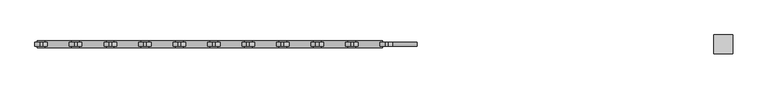
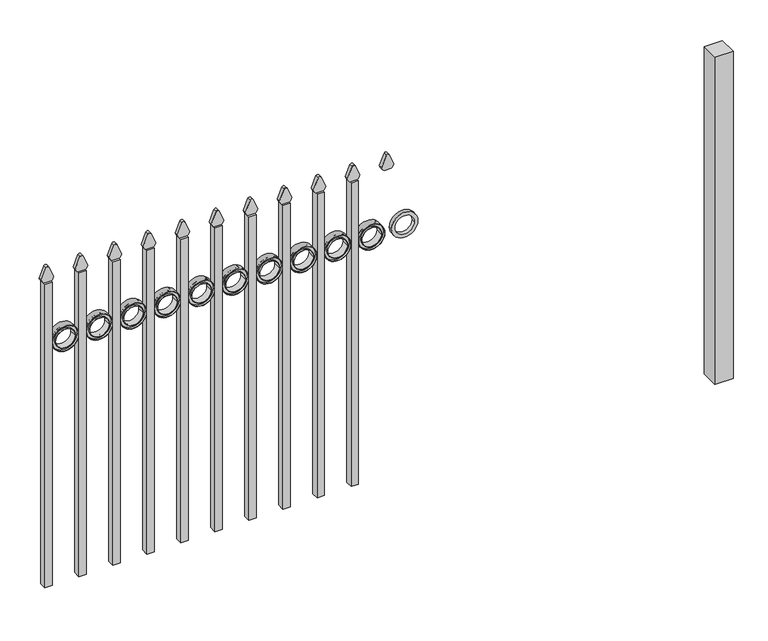
"""IFC4 building model written with IfcOpenShell, lengths in millimetres: railing geometry."""

from ifc_helpers import new_model, si_unit, point, frame, frame_2d, origin, origin_with_axes, place, context, project, spatial, polyline, circle_curve, trimmed, segment, composite_curve, outline, extrude, source, transform, mapped, element, save


def railing_c6fbc7e1(model_context):
    return source(origin(), model_context, "Body", "SweptSolid", [
        extrude(outline(composite_curve([segment(polyline([(1159.8798417, -22591.9399936), (1159.8798417, -22566.2493116)]), True, "CONTINUOUS"), segment(trimmed(circle_curve(frame_2d((1178.1299402, -22580.4122336)), 23.1009622), [point((1159.8798417, -22566.2493116))], [point((1172.6676176, -22557.9663545))], False, "CARTESIAN"), True, "CONTINUOUS"), segment(polyline([(1172.6676176, -22557.9663545), (1213.1555225, -22574.2855644)]), True, "CONTINUOUS"), segment(trimmed(circle_curve(frame_2d((1210.0045804, -22579.4155764)), 6.0204202), [point((1213.1555225, -22574.2855644))], [point((1213.1555225, -22584.5455884))], False, "CARTESIAN"), True, "CONTINUOUS"), segment(polyline([(1213.1555225, -22584.5455884), (1173.9339948, -22600.4937724)]), True, "CONTINUOUS"), segment(trimmed(circle_curve(frame_2d((1178.1299402, -22577.7770716)), 23.1009622), [point((1173.9339948, -22600.4937724))], [point((1159.8798417, -22591.9399936))], False, "CARTESIAN"), True, "CONTINUOUS")], self_intersect=False)), frame((0.0, 13410.569541, 0.0), z_axis=(0.0, 1.0, 0.0), x_axis=(0.0, 0.0, 1.0)), (0.0, 0.0, 1.0), 12.7),
        extrude(outline(composite_curve([segment(trimmed(circle_curve(frame_2d((937.3853669, -22520.4442595)), 45.6988591), [point((937.3853669, -22474.7454004))], [point((937.3853669, -22566.1431186))], False, "CARTESIAN"), True, "CONTINUOUS"), segment(trimmed(circle_curve(frame_2d((937.3853669, -22520.4442595)), 45.6988591), [point((937.3853669, -22566.1431186))], [point((937.3853669, -22474.7454004))], False, "CARTESIAN"), True, "CONTINUOUS")], self_intersect=False), holes=[composite_curve([segment(trimmed(circle_curve(frame_2d((937.3853669, -22520.4442595)), 33.0443887), [point((937.3853669, -22487.3998708))], [point((937.3853669, -22553.4886482))], True, "CARTESIAN"), True, "CONTINUOUS"), segment(trimmed(circle_curve(frame_2d((937.3853669, -22520.4442595)), 33.0443887), [point((937.3853669, -22553.4886482))], [point((937.3853669, -22487.3998708))], True, "CARTESIAN"), True, "CONTINUOUS")], self_intersect=False)]), frame((0.0, 13410.569541, 0.0), z_axis=(0.0, 1.0, 0.0), x_axis=(0.0, 0.0, 1.0)), (0.0, 0.0, 1.0), 12.7),
        extrude(outline(polyline([(-22709.4149936, 13429.619541), (-22684.0149936, 13429.619541), (-22684.0149936, 13404.219541), (-22709.4149936, 13404.219541), (-22709.4149936, 13429.619541)])), frame((0.0, 0.0, 50.8), z_axis=(0.0, 0.0, 1.0), x_axis=(1.0, 0.0, 0.0)), (0.0, 0.0, 1.0), 1108.8579232),
        extrude(outline(composite_curve([segment(trimmed(circle_curve(frame_2d((937.3853669, -22637.9192595)), 45.6988591), [point((937.3853669, -22592.2204004))], [point((937.3853669, -22683.6181186))], False, "CARTESIAN"), True, "CONTINUOUS"), segment(trimmed(circle_curve(frame_2d((937.3853669, -22637.9192595)), 45.6988591), [point((937.3853669, -22683.6181186))], [point((937.3853669, -22592.2204004))], False, "CARTESIAN"), True, "CONTINUOUS")], self_intersect=False), holes=[composite_curve([segment(trimmed(circle_curve(frame_2d((937.3853669, -22637.9192595)), 44.101539), [point((937.3853669, -22593.8177205))], [point((937.3853669, -22682.0207985))], True, "CARTESIAN"), True, "CONTINUOUS"), segment(trimmed(circle_curve(frame_2d((937.3853669, -22637.9192595)), 44.101539), [point((937.3853669, -22682.0207985))], [point((937.3853669, -22593.8177205))], True, "CARTESIAN"), True, "CONTINUOUS")], self_intersect=False)]), frame((0.0, 13404.219541, 0.0), z_axis=(0.0, 1.0, 0.0), x_axis=(0.0, 0.0, 1.0)), (0.0, 0.0, 1.0), 25.4),
        extrude(outline(composite_curve([segment(trimmed(circle_curve(frame_2d((937.3853669, -22637.9192595)), 34.6370762), [point((937.3853669, -22603.2821833))], [point((937.3853669, -22672.5563357))], False, "CARTESIAN"), True, "CONTINUOUS"), segment(trimmed(circle_curve(frame_2d((937.3853669, -22637.9192595)), 34.6370762), [point((937.3853669, -22672.5563357))], [point((937.3853669, -22603.2821833))], False, "CARTESIAN"), True, "CONTINUOUS")], self_intersect=False), holes=[composite_curve([segment(trimmed(circle_curve(frame_2d((937.3853669, -22637.9192595)), 33.0443887), [point((937.3853669, -22604.8748708))], [point((937.3853669, -22670.9636482))], True, "CARTESIAN"), True, "CONTINUOUS"), segment(trimmed(circle_curve(frame_2d((937.3853669, -22637.9192595)), 33.0443887), [point((937.3853669, -22670.9636482))], [point((937.3853669, -22604.8748708))], True, "CARTESIAN"), True, "CONTINUOUS")], self_intersect=False)]), frame((0.0, 13404.219541, 0.0), z_axis=(0.0, 1.0, 0.0), x_axis=(0.0, 0.0, 1.0)), (0.0, 0.0, 1.0), 25.4),
        extrude(outline(composite_curve([segment(polyline([(1159.8798417, -22709.4149936), (1159.8798417, -22683.7243116)]), True, "CONTINUOUS"), segment(trimmed(circle_curve(frame_2d((1178.1299402, -22697.8872336)), 23.1009622), [point((1159.8798417, -22683.7243116))], [point((1172.6676176, -22675.4413545))], False, "CARTESIAN"), True, "CONTINUOUS"), segment(polyline([(1172.6676176, -22675.4413545), (1213.1555225, -22691.7605644)]), True, "CONTINUOUS"), segment(trimmed(circle_curve(frame_2d((1210.0045804, -22696.8905764)), 6.0204202), [point((1213.1555225, -22691.7605644))], [point((1213.1555225, -22702.0205884))], False, "CARTESIAN"), True, "CONTINUOUS"), segment(polyline([(1213.1555225, -22702.0205884), (1173.9339948, -22717.9687724)]), True, "CONTINUOUS"), segment(trimmed(circle_curve(frame_2d((1178.1299402, -22695.2520716)), 23.1009622), [point((1173.9339948, -22717.9687724))], [point((1159.8798417, -22709.4149936))], False, "CARTESIAN"), True, "CONTINUOUS")], self_intersect=False)), frame((0.0, 13410.569541, 0.0), z_axis=(0.0, 1.0, 0.0), x_axis=(0.0, 0.0, 1.0)), (0.0, 0.0, 1.0), 12.7),
        extrude(outline(composite_curve([segment(trimmed(circle_curve(frame_2d((937.3853669, -22637.9192595)), 45.6988591), [point((937.3853669, -22592.2204004))], [point((937.3853669, -22683.6181186))], False, "CARTESIAN"), True, "CONTINUOUS"), segment(trimmed(circle_curve(frame_2d((937.3853669, -22637.9192595)), 45.6988591), [point((937.3853669, -22683.6181186))], [point((937.3853669, -22592.2204004))], False, "CARTESIAN"), True, "CONTINUOUS")], self_intersect=False), holes=[composite_curve([segment(trimmed(circle_curve(frame_2d((937.3853669, -22637.9192595)), 33.0443887), [point((937.3853669, -22604.8748708))], [point((937.3853669, -22670.9636482))], True, "CARTESIAN"), True, "CONTINUOUS"), segment(trimmed(circle_curve(frame_2d((937.3853669, -22637.9192595)), 33.0443887), [point((937.3853669, -22670.9636482))], [point((937.3853669, -22604.8748708))], True, "CARTESIAN"), True, "CONTINUOUS")], self_intersect=False)]), frame((0.0, 13410.569541, 0.0), z_axis=(0.0, 1.0, 0.0), x_axis=(0.0, 0.0, 1.0)), (0.0, 0.0, 1.0), 12.7),
        extrude(outline(polyline([(-22826.8899936, 13429.619541), (-22801.4899936, 13429.619541), (-22801.4899936, 13404.219541), (-22826.8899936, 13404.219541), (-22826.8899936, 13429.619541)])), frame((0.0, 0.0, 50.8), z_axis=(0.0, 0.0, 1.0), x_axis=(1.0, 0.0, 0.0)), (0.0, 0.0, 1.0), 1108.8579232),
        extrude(outline(composite_curve([segment(trimmed(circle_curve(frame_2d((937.3853669, -22755.3942595)), 45.6988591), [point((937.3853669, -22709.6954004))], [point((937.3853669, -22801.0931186))], False, "CARTESIAN"), True, "CONTINUOUS"), segment(trimmed(circle_curve(frame_2d((937.3853669, -22755.3942595)), 45.6988591), [point((937.3853669, -22801.0931186))], [point((937.3853669, -22709.6954004))], False, "CARTESIAN"), True, "CONTINUOUS")], self_intersect=False), holes=[composite_curve([segment(trimmed(circle_curve(frame_2d((937.3853669, -22755.3942595)), 44.101539), [point((937.3853669, -22711.2927205))], [point((937.3853669, -22799.4957985))], True, "CARTESIAN"), True, "CONTINUOUS"), segment(trimmed(circle_curve(frame_2d((937.3853669, -22755.3942595)), 44.101539), [point((937.3853669, -22799.4957985))], [point((937.3853669, -22711.2927205))], True, "CARTESIAN"), True, "CONTINUOUS")], self_intersect=False)]), frame((0.0, 13404.219541, 0.0), z_axis=(0.0, 1.0, 0.0), x_axis=(0.0, 0.0, 1.0)), (0.0, 0.0, 1.0), 25.4),
        extrude(outline(composite_curve([segment(trimmed(circle_curve(frame_2d((937.3853669, -22755.3942595)), 34.6370762), [point((937.3853669, -22720.7571833))], [point((937.3853669, -22790.0313357))], False, "CARTESIAN"), True, "CONTINUOUS"), segment(trimmed(circle_curve(frame_2d((937.3853669, -22755.3942595)), 34.6370762), [point((937.3853669, -22790.0313357))], [point((937.3853669, -22720.7571833))], False, "CARTESIAN"), True, "CONTINUOUS")], self_intersect=False), holes=[composite_curve([segment(trimmed(circle_curve(frame_2d((937.3853669, -22755.3942595)), 33.0443887), [point((937.3853669, -22722.3498708))], [point((937.3853669, -22788.4386482))], True, "CARTESIAN"), True, "CONTINUOUS"), segment(trimmed(circle_curve(frame_2d((937.3853669, -22755.3942595)), 33.0443887), [point((937.3853669, -22788.4386482))], [point((937.3853669, -22722.3498708))], True, "CARTESIAN"), True, "CONTINUOUS")], self_intersect=False)]), frame((0.0, 13404.219541, 0.0), z_axis=(0.0, 1.0, 0.0), x_axis=(0.0, 0.0, 1.0)), (0.0, 0.0, 1.0), 25.4),
        extrude(outline(composite_curve([segment(polyline([(1159.8798417, -22826.8899936), (1159.8798417, -22801.1993116)]), True, "CONTINUOUS"), segment(trimmed(circle_curve(frame_2d((1178.1299402, -22815.3622336)), 23.1009622), [point((1159.8798417, -22801.1993116))], [point((1172.6676176, -22792.9163545))], False, "CARTESIAN"), True, "CONTINUOUS"), segment(polyline([(1172.6676176, -22792.9163545), (1213.1555225, -22809.2355644)]), True, "CONTINUOUS"), segment(trimmed(circle_curve(frame_2d((1210.0045804, -22814.3655764)), 6.0204202), [point((1213.1555225, -22809.2355644))], [point((1213.1555225, -22819.4955884))], False, "CARTESIAN"), True, "CONTINUOUS"), segment(polyline([(1213.1555225, -22819.4955884), (1173.9339948, -22835.4437724)]), True, "CONTINUOUS"), segment(trimmed(circle_curve(frame_2d((1178.1299402, -22812.7270716)), 23.1009622), [point((1173.9339948, -22835.4437724))], [point((1159.8798417, -22826.8899936))], False, "CARTESIAN"), True, "CONTINUOUS")], self_intersect=False)), frame((0.0, 13410.569541, 0.0), z_axis=(0.0, 1.0, 0.0), x_axis=(0.0, 0.0, 1.0)), (0.0, 0.0, 1.0), 12.7),
        extrude(outline(composite_curve([segment(trimmed(circle_curve(frame_2d((937.3853669, -22755.3942595)), 45.6988591), [point((937.3853669, -22709.6954004))], [point((937.3853669, -22801.0931186))], False, "CARTESIAN"), True, "CONTINUOUS"), segment(trimmed(circle_curve(frame_2d((937.3853669, -22755.3942595)), 45.6988591), [point((937.3853669, -22801.0931186))], [point((937.3853669, -22709.6954004))], False, "CARTESIAN"), True, "CONTINUOUS")], self_intersect=False), holes=[composite_curve([segment(trimmed(circle_curve(frame_2d((937.3853669, -22755.3942595)), 33.0443887), [point((937.3853669, -22722.3498708))], [point((937.3853669, -22788.4386482))], True, "CARTESIAN"), True, "CONTINUOUS"), segment(trimmed(circle_curve(frame_2d((937.3853669, -22755.3942595)), 33.0443887), [point((937.3853669, -22788.4386482))], [point((937.3853669, -22722.3498708))], True, "CARTESIAN"), True, "CONTINUOUS")], self_intersect=False)]), frame((0.0, 13410.569541, 0.0), z_axis=(0.0, 1.0, 0.0), x_axis=(0.0, 0.0, 1.0)), (0.0, 0.0, 1.0), 12.7),
        extrude(outline(polyline([(-22944.3649936, 13429.619541), (-22918.9649936, 13429.619541), (-22918.9649936, 13404.219541), (-22944.3649936, 13404.219541), (-22944.3649936, 13429.619541)])), frame((0.0, 0.0, 50.8), z_axis=(0.0, 0.0, 1.0), x_axis=(1.0, 0.0, 0.0)), (0.0, 0.0, 1.0), 1108.8579232),
        extrude(outline(composite_curve([segment(trimmed(circle_curve(frame_2d((937.3853669, -22872.8692595)), 45.6988591), [point((937.3853669, -22827.1704004))], [point((937.3853669, -22918.5681186))], False, "CARTESIAN"), True, "CONTINUOUS"), segment(trimmed(circle_curve(frame_2d((937.3853669, -22872.8692595)), 45.6988591), [point((937.3853669, -22918.5681186))], [point((937.3853669, -22827.1704004))], False, "CARTESIAN"), True, "CONTINUOUS")], self_intersect=False), holes=[composite_curve([segment(trimmed(circle_curve(frame_2d((937.3853669, -22872.8692595)), 44.101539), [point((937.3853669, -22828.7677205))], [point((937.3853669, -22916.9707985))], True, "CARTESIAN"), True, "CONTINUOUS"), segment(trimmed(circle_curve(frame_2d((937.3853669, -22872.8692595)), 44.101539), [point((937.3853669, -22916.9707985))], [point((937.3853669, -22828.7677205))], True, "CARTESIAN"), True, "CONTINUOUS")], self_intersect=False)]), frame((0.0, 13404.219541, 0.0), z_axis=(0.0, 1.0, 0.0), x_axis=(0.0, 0.0, 1.0)), (0.0, 0.0, 1.0), 25.4),
        extrude(outline(composite_curve([segment(trimmed(circle_curve(frame_2d((937.3853669, -22872.8692595)), 34.6370762), [point((937.3853669, -22838.2321833))], [point((937.3853669, -22907.5063357))], False, "CARTESIAN"), True, "CONTINUOUS"), segment(trimmed(circle_curve(frame_2d((937.3853669, -22872.8692595)), 34.6370762), [point((937.3853669, -22907.5063357))], [point((937.3853669, -22838.2321833))], False, "CARTESIAN"), True, "CONTINUOUS")], self_intersect=False), holes=[composite_curve([segment(trimmed(circle_curve(frame_2d((937.3853669, -22872.8692595)), 33.0443887), [point((937.3853669, -22839.8248708))], [point((937.3853669, -22905.9136482))], True, "CARTESIAN"), True, "CONTINUOUS"), segment(trimmed(circle_curve(frame_2d((937.3853669, -22872.8692595)), 33.0443887), [point((937.3853669, -22905.9136482))], [point((937.3853669, -22839.8248708))], True, "CARTESIAN"), True, "CONTINUOUS")], self_intersect=False)]), frame((0.0, 13404.219541, 0.0), z_axis=(0.0, 1.0, 0.0), x_axis=(0.0, 0.0, 1.0)), (0.0, 0.0, 1.0), 25.4),
        extrude(outline(composite_curve([segment(polyline([(1159.8798417, -22944.3649936), (1159.8798417, -22918.6743116)]), True, "CONTINUOUS"), segment(trimmed(circle_curve(frame_2d((1178.1299402, -22932.8372336)), 23.1009622), [point((1159.8798417, -22918.6743116))], [point((1172.6676176, -22910.3913545))], False, "CARTESIAN"), True, "CONTINUOUS"), segment(polyline([(1172.6676176, -22910.3913545), (1213.1555225, -22926.7105644)]), True, "CONTINUOUS"), segment(trimmed(circle_curve(frame_2d((1210.0045804, -22931.8405764)), 6.0204202), [point((1213.1555225, -22926.7105644))], [point((1213.1555225, -22936.9705884))], False, "CARTESIAN"), True, "CONTINUOUS"), segment(polyline([(1213.1555225, -22936.9705884), (1173.9339948, -22952.9187724)]), True, "CONTINUOUS"), segment(trimmed(circle_curve(frame_2d((1178.1299402, -22930.2020716)), 23.1009622), [point((1173.9339948, -22952.9187724))], [point((1159.8798417, -22944.3649936))], False, "CARTESIAN"), True, "CONTINUOUS")], self_intersect=False)), frame((0.0, 13410.569541, 0.0), z_axis=(0.0, 1.0, 0.0), x_axis=(0.0, 0.0, 1.0)), (0.0, 0.0, 1.0), 12.7),
        extrude(outline(composite_curve([segment(trimmed(circle_curve(frame_2d((937.3853669, -22872.8692595)), 45.6988591), [point((937.3853669, -22827.1704004))], [point((937.3853669, -22918.5681186))], False, "CARTESIAN"), True, "CONTINUOUS"), segment(trimmed(circle_curve(frame_2d((937.3853669, -22872.8692595)), 45.6988591), [point((937.3853669, -22918.5681186))], [point((937.3853669, -22827.1704004))], False, "CARTESIAN"), True, "CONTINUOUS")], self_intersect=False), holes=[composite_curve([segment(trimmed(circle_curve(frame_2d((937.3853669, -22872.8692595)), 33.0443887), [point((937.3853669, -22839.8248708))], [point((937.3853669, -22905.9136482))], True, "CARTESIAN"), True, "CONTINUOUS"), segment(trimmed(circle_curve(frame_2d((937.3853669, -22872.8692595)), 33.0443887), [point((937.3853669, -22905.9136482))], [point((937.3853669, -22839.8248708))], True, "CARTESIAN"), True, "CONTINUOUS")], self_intersect=False)]), frame((0.0, 13410.569541, 0.0), z_axis=(0.0, 1.0, 0.0), x_axis=(0.0, 0.0, 1.0)), (0.0, 0.0, 1.0), 12.7),
        extrude(outline(polyline([(-23061.8399936, 13429.619541), (-23036.4399936, 13429.619541), (-23036.4399936, 13404.219541), (-23061.8399936, 13404.219541), (-23061.8399936, 13429.619541)])), frame((0.0, 0.0, 50.8), z_axis=(0.0, 0.0, 1.0), x_axis=(1.0, 0.0, 0.0)), (0.0, 0.0, 1.0), 1108.8579232),
        extrude(outline(composite_curve([segment(trimmed(circle_curve(frame_2d((937.3853669, -22990.3442595)), 45.6988591), [point((937.3853669, -22944.6454004))], [point((937.3853669, -23036.0431186))], False, "CARTESIAN"), True, "CONTINUOUS"), segment(trimmed(circle_curve(frame_2d((937.3853669, -22990.3442595)), 45.6988591), [point((937.3853669, -23036.0431186))], [point((937.3853669, -22944.6454004))], False, "CARTESIAN"), True, "CONTINUOUS")], self_intersect=False), holes=[composite_curve([segment(trimmed(circle_curve(frame_2d((937.3853669, -22990.3442595)), 44.101539), [point((937.3853669, -22946.2427205))], [point((937.3853669, -23034.4457985))], True, "CARTESIAN"), True, "CONTINUOUS"), segment(trimmed(circle_curve(frame_2d((937.3853669, -22990.3442595)), 44.101539), [point((937.3853669, -23034.4457985))], [point((937.3853669, -22946.2427205))], True, "CARTESIAN"), True, "CONTINUOUS")], self_intersect=False)]), frame((0.0, 13404.219541, 0.0), z_axis=(0.0, 1.0, 0.0), x_axis=(0.0, 0.0, 1.0)), (0.0, 0.0, 1.0), 25.4),
        extrude(outline(composite_curve([segment(trimmed(circle_curve(frame_2d((937.3853669, -22990.3442595)), 34.6370762), [point((937.3853669, -22955.7071833))], [point((937.3853669, -23024.9813357))], False, "CARTESIAN"), True, "CONTINUOUS"), segment(trimmed(circle_curve(frame_2d((937.3853669, -22990.3442595)), 34.6370762), [point((937.3853669, -23024.9813357))], [point((937.3853669, -22955.7071833))], False, "CARTESIAN"), True, "CONTINUOUS")], self_intersect=False), holes=[composite_curve([segment(trimmed(circle_curve(frame_2d((937.3853669, -22990.3442595)), 33.0443887), [point((937.3853669, -22957.2998708))], [point((937.3853669, -23023.3886482))], True, "CARTESIAN"), True, "CONTINUOUS"), segment(trimmed(circle_curve(frame_2d((937.3853669, -22990.3442595)), 33.0443887), [point((937.3853669, -23023.3886482))], [point((937.3853669, -22957.2998708))], True, "CARTESIAN"), True, "CONTINUOUS")], self_intersect=False)]), frame((0.0, 13404.219541, 0.0), z_axis=(0.0, 1.0, 0.0), x_axis=(0.0, 0.0, 1.0)), (0.0, 0.0, 1.0), 25.4),
        extrude(outline(composite_curve([segment(polyline([(1159.8798417, -23061.8399936), (1159.8798417, -23036.1493116)]), True, "CONTINUOUS"), segment(trimmed(circle_curve(frame_2d((1178.1299402, -23050.3122336)), 23.1009622), [point((1159.8798417, -23036.1493116))], [point((1172.6676176, -23027.8663545))], False, "CARTESIAN"), True, "CONTINUOUS"), segment(polyline([(1172.6676176, -23027.8663545), (1213.1555225, -23044.1855644)]), True, "CONTINUOUS"), segment(trimmed(circle_curve(frame_2d((1210.0045804, -23049.3155764)), 6.0204202), [point((1213.1555225, -23044.1855644))], [point((1213.1555225, -23054.4455884))], False, "CARTESIAN"), True, "CONTINUOUS"), segment(polyline([(1213.1555225, -23054.4455884), (1173.9339948, -23070.3937724)]), True, "CONTINUOUS"), segment(trimmed(circle_curve(frame_2d((1178.1299402, -23047.6770716)), 23.1009622), [point((1173.9339948, -23070.3937724))], [point((1159.8798417, -23061.8399936))], False, "CARTESIAN"), True, "CONTINUOUS")], self_intersect=False)), frame((0.0, 13410.569541, 0.0), z_axis=(0.0, 1.0, 0.0), x_axis=(0.0, 0.0, 1.0)), (0.0, 0.0, 1.0), 12.7),
        extrude(outline(composite_curve([segment(trimmed(circle_curve(frame_2d((937.3853669, -22990.3442595)), 45.6988591), [point((937.3853669, -22944.6454004))], [point((937.3853669, -23036.0431186))], False, "CARTESIAN"), True, "CONTINUOUS"), segment(trimmed(circle_curve(frame_2d((937.3853669, -22990.3442595)), 45.6988591), [point((937.3853669, -23036.0431186))], [point((937.3853669, -22944.6454004))], False, "CARTESIAN"), True, "CONTINUOUS")], self_intersect=False), holes=[composite_curve([segment(trimmed(circle_curve(frame_2d((937.3853669, -22990.3442595)), 33.0443887), [point((937.3853669, -22957.2998708))], [point((937.3853669, -23023.3886482))], True, "CARTESIAN"), True, "CONTINUOUS"), segment(trimmed(circle_curve(frame_2d((937.3853669, -22990.3442595)), 33.0443887), [point((937.3853669, -23023.3886482))], [point((937.3853669, -22957.2998708))], True, "CARTESIAN"), True, "CONTINUOUS")], self_intersect=False)]), frame((0.0, 13410.569541, 0.0), z_axis=(0.0, 1.0, 0.0), x_axis=(0.0, 0.0, 1.0)), (0.0, 0.0, 1.0), 12.7),
        extrude(outline(polyline([(-23179.3149936, 13429.619541), (-23153.9149936, 13429.619541), (-23153.9149936, 13404.219541), (-23179.3149936, 13404.219541), (-23179.3149936, 13429.619541)])), frame((0.0, 0.0, 50.8), z_axis=(0.0, 0.0, 1.0), x_axis=(1.0, 0.0, 0.0)), (0.0, 0.0, 1.0), 1108.8579232),
        extrude(outline(composite_curve([segment(trimmed(circle_curve(frame_2d((937.3853669, -23107.8192595)), 45.6988591), [point((937.3853669, -23062.1204004))], [point((937.3853669, -23153.5181186))], False, "CARTESIAN"), True, "CONTINUOUS"), segment(trimmed(circle_curve(frame_2d((937.3853669, -23107.8192595)), 45.6988591), [point((937.3853669, -23153.5181186))], [point((937.3853669, -23062.1204004))], False, "CARTESIAN"), True, "CONTINUOUS")], self_intersect=False), holes=[composite_curve([segment(trimmed(circle_curve(frame_2d((937.3853669, -23107.8192595)), 44.101539), [point((937.3853669, -23063.7177205))], [point((937.3853669, -23151.9207985))], True, "CARTESIAN"), True, "CONTINUOUS"), segment(trimmed(circle_curve(frame_2d((937.3853669, -23107.8192595)), 44.101539), [point((937.3853669, -23151.9207985))], [point((937.3853669, -23063.7177205))], True, "CARTESIAN"), True, "CONTINUOUS")], self_intersect=False)]), frame((0.0, 13404.219541, 0.0), z_axis=(0.0, 1.0, 0.0), x_axis=(0.0, 0.0, 1.0)), (0.0, 0.0, 1.0), 25.4),
        extrude(outline(composite_curve([segment(trimmed(circle_curve(frame_2d((937.3853669, -23107.8192595)), 34.6370762), [point((937.3853669, -23073.1821833))], [point((937.3853669, -23142.4563357))], False, "CARTESIAN"), True, "CONTINUOUS"), segment(trimmed(circle_curve(frame_2d((937.3853669, -23107.8192595)), 34.6370762), [point((937.3853669, -23142.4563357))], [point((937.3853669, -23073.1821833))], False, "CARTESIAN"), True, "CONTINUOUS")], self_intersect=False), holes=[composite_curve([segment(trimmed(circle_curve(frame_2d((937.3853669, -23107.8192595)), 33.0443887), [point((937.3853669, -23074.7748708))], [point((937.3853669, -23140.8636482))], True, "CARTESIAN"), True, "CONTINUOUS"), segment(trimmed(circle_curve(frame_2d((937.3853669, -23107.8192595)), 33.0443887), [point((937.3853669, -23140.8636482))], [point((937.3853669, -23074.7748708))], True, "CARTESIAN"), True, "CONTINUOUS")], self_intersect=False)]), frame((0.0, 13404.219541, 0.0), z_axis=(0.0, 1.0, 0.0), x_axis=(0.0, 0.0, 1.0)), (0.0, 0.0, 1.0), 25.4),
        extrude(outline(composite_curve([segment(polyline([(1159.8798417, -23179.3149936), (1159.8798417, -23153.6243116)]), True, "CONTINUOUS"), segment(trimmed(circle_curve(frame_2d((1178.1299402, -23167.7872336)), 23.1009622), [point((1159.8798417, -23153.6243116))], [point((1172.6676176, -23145.3413545))], False, "CARTESIAN"), True, "CONTINUOUS"), segment(polyline([(1172.6676176, -23145.3413545), (1213.1555225, -23161.6605644)]), True, "CONTINUOUS"), segment(trimmed(circle_curve(frame_2d((1210.0045804, -23166.7905764)), 6.0204202), [point((1213.1555225, -23161.6605644))], [point((1213.1555225, -23171.9205884))], False, "CARTESIAN"), True, "CONTINUOUS"), segment(polyline([(1213.1555225, -23171.9205884), (1173.9339948, -23187.8687724)]), True, "CONTINUOUS"), segment(trimmed(circle_curve(frame_2d((1178.1299402, -23165.1520716)), 23.1009622), [point((1173.9339948, -23187.8687724))], [point((1159.8798417, -23179.3149936))], False, "CARTESIAN"), True, "CONTINUOUS")], self_intersect=False)), frame((0.0, 13410.569541, 0.0), z_axis=(0.0, 1.0, 0.0), x_axis=(0.0, 0.0, 1.0)), (0.0, 0.0, 1.0), 12.7),
        extrude(outline(composite_curve([segment(trimmed(circle_curve(frame_2d((937.3853669, -23107.8192595)), 45.6988591), [point((937.3853669, -23062.1204004))], [point((937.3853669, -23153.5181186))], False, "CARTESIAN"), True, "CONTINUOUS"), segment(trimmed(circle_curve(frame_2d((937.3853669, -23107.8192595)), 45.6988591), [point((937.3853669, -23153.5181186))], [point((937.3853669, -23062.1204004))], False, "CARTESIAN"), True, "CONTINUOUS")], self_intersect=False), holes=[composite_curve([segment(trimmed(circle_curve(frame_2d((937.3853669, -23107.8192595)), 33.0443887), [point((937.3853669, -23074.7748708))], [point((937.3853669, -23140.8636482))], True, "CARTESIAN"), True, "CONTINUOUS"), segment(trimmed(circle_curve(frame_2d((937.3853669, -23107.8192595)), 33.0443887), [point((937.3853669, -23140.8636482))], [point((937.3853669, -23074.7748708))], True, "CARTESIAN"), True, "CONTINUOUS")], self_intersect=False)]), frame((0.0, 13410.569541, 0.0), z_axis=(0.0, 1.0, 0.0), x_axis=(0.0, 0.0, 1.0)), (0.0, 0.0, 1.0), 12.7),
        extrude(outline(polyline([(-23296.7899936, 13429.619541), (-23271.3899936, 13429.619541), (-23271.3899936, 13404.219541), (-23296.7899936, 13404.219541), (-23296.7899936, 13429.619541)])), frame((0.0, 0.0, 50.8), z_axis=(0.0, 0.0, 1.0), x_axis=(1.0, 0.0, 0.0)), (0.0, 0.0, 1.0), 1108.8579232),
        extrude(outline(composite_curve([segment(trimmed(circle_curve(frame_2d((937.3853669, -23225.2942595)), 45.6988591), [point((937.3853669, -23179.5954004))], [point((937.3853669, -23270.9931186))], False, "CARTESIAN"), True, "CONTINUOUS"), segment(trimmed(circle_curve(frame_2d((937.3853669, -23225.2942595)), 45.6988591), [point((937.3853669, -23270.9931186))], [point((937.3853669, -23179.5954004))], False, "CARTESIAN"), True, "CONTINUOUS")], self_intersect=False), holes=[composite_curve([segment(trimmed(circle_curve(frame_2d((937.3853669, -23225.2942595)), 44.101539), [point((937.3853669, -23181.1927205))], [point((937.3853669, -23269.3957985))], True, "CARTESIAN"), True, "CONTINUOUS"), segment(trimmed(circle_curve(frame_2d((937.3853669, -23225.2942595)), 44.101539), [point((937.3853669, -23269.3957985))], [point((937.3853669, -23181.1927205))], True, "CARTESIAN"), True, "CONTINUOUS")], self_intersect=False)]), frame((0.0, 13404.219541, 0.0), z_axis=(0.0, 1.0, 0.0), x_axis=(0.0, 0.0, 1.0)), (0.0, 0.0, 1.0), 25.4),
        extrude(outline(composite_curve([segment(trimmed(circle_curve(frame_2d((937.3853669, -23225.2942595)), 34.6370762), [point((937.3853669, -23190.6571833))], [point((937.3853669, -23259.9313357))], False, "CARTESIAN"), True, "CONTINUOUS"), segment(trimmed(circle_curve(frame_2d((937.3853669, -23225.2942595)), 34.6370762), [point((937.3853669, -23259.9313357))], [point((937.3853669, -23190.6571833))], False, "CARTESIAN"), True, "CONTINUOUS")], self_intersect=False), holes=[composite_curve([segment(trimmed(circle_curve(frame_2d((937.3853669, -23225.2942595)), 33.0443887), [point((937.3853669, -23192.2498708))], [point((937.3853669, -23258.3386482))], True, "CARTESIAN"), True, "CONTINUOUS"), segment(trimmed(circle_curve(frame_2d((937.3853669, -23225.2942595)), 33.0443887), [point((937.3853669, -23258.3386482))], [point((937.3853669, -23192.2498708))], True, "CARTESIAN"), True, "CONTINUOUS")], self_intersect=False)]), frame((0.0, 13404.219541, 0.0), z_axis=(0.0, 1.0, 0.0), x_axis=(0.0, 0.0, 1.0)), (0.0, 0.0, 1.0), 25.4),
        extrude(outline(composite_curve([segment(polyline([(1159.8798417, -23296.7899936), (1159.8798417, -23271.0993116)]), True, "CONTINUOUS"), segment(trimmed(circle_curve(frame_2d((1178.1299402, -23285.2622336)), 23.1009622), [point((1159.8798417, -23271.0993116))], [point((1172.6676176, -23262.8163545))], False, "CARTESIAN"), True, "CONTINUOUS"), segment(polyline([(1172.6676176, -23262.8163545), (1213.1555225, -23279.1355644)]), True, "CONTINUOUS"), segment(trimmed(circle_curve(frame_2d((1210.0045804, -23284.2655764)), 6.0204202), [point((1213.1555225, -23279.1355644))], [point((1213.1555225, -23289.3955884))], False, "CARTESIAN"), True, "CONTINUOUS"), segment(polyline([(1213.1555225, -23289.3955884), (1173.9339948, -23305.3437724)]), True, "CONTINUOUS"), segment(trimmed(circle_curve(frame_2d((1178.1299402, -23282.6270716)), 23.1009622), [point((1173.9339948, -23305.3437724))], [point((1159.8798417, -23296.7899936))], False, "CARTESIAN"), True, "CONTINUOUS")], self_intersect=False)), frame((0.0, 13410.569541, 0.0), z_axis=(0.0, 1.0, 0.0), x_axis=(0.0, 0.0, 1.0)), (0.0, 0.0, 1.0), 12.7),
        extrude(outline(composite_curve([segment(trimmed(circle_curve(frame_2d((937.3853669, -23225.2942595)), 45.6988591), [point((937.3853669, -23179.5954004))], [point((937.3853669, -23270.9931186))], False, "CARTESIAN"), True, "CONTINUOUS"), segment(trimmed(circle_curve(frame_2d((937.3853669, -23225.2942595)), 45.6988591), [point((937.3853669, -23270.9931186))], [point((937.3853669, -23179.5954004))], False, "CARTESIAN"), True, "CONTINUOUS")], self_intersect=False), holes=[composite_curve([segment(trimmed(circle_curve(frame_2d((937.3853669, -23225.2942595)), 33.0443887), [point((937.3853669, -23192.2498708))], [point((937.3853669, -23258.3386482))], True, "CARTESIAN"), True, "CONTINUOUS"), segment(trimmed(circle_curve(frame_2d((937.3853669, -23225.2942595)), 33.0443887), [point((937.3853669, -23258.3386482))], [point((937.3853669, -23192.2498708))], True, "CARTESIAN"), True, "CONTINUOUS")], self_intersect=False)]), frame((0.0, 13410.569541, 0.0), z_axis=(0.0, 1.0, 0.0), x_axis=(0.0, 0.0, 1.0)), (0.0, 0.0, 1.0), 12.7),
        extrude(outline(polyline([(-23414.2649936, 13429.619541), (-23388.8649936, 13429.619541), (-23388.8649936, 13404.219541), (-23414.2649936, 13404.219541), (-23414.2649936, 13429.619541)])), frame((0.0, 0.0, 50.8), z_axis=(0.0, 0.0, 1.0), x_axis=(1.0, 0.0, 0.0)), (0.0, 0.0, 1.0), 1108.8579232),
        extrude(outline(composite_curve([segment(trimmed(circle_curve(frame_2d((937.3853669, -23342.7692595)), 45.6988591), [point((937.3853669, -23297.0704004))], [point((937.3853669, -23388.4681186))], False, "CARTESIAN"), True, "CONTINUOUS"), segment(trimmed(circle_curve(frame_2d((937.3853669, -23342.7692595)), 45.6988591), [point((937.3853669, -23388.4681186))], [point((937.3853669, -23297.0704004))], False, "CARTESIAN"), True, "CONTINUOUS")], self_intersect=False), holes=[composite_curve([segment(trimmed(circle_curve(frame_2d((937.3853669, -23342.7692595)), 44.101539), [point((937.3853669, -23298.6677205))], [point((937.3853669, -23386.8707985))], True, "CARTESIAN"), True, "CONTINUOUS"), segment(trimmed(circle_curve(frame_2d((937.3853669, -23342.7692595)), 44.101539), [point((937.3853669, -23386.8707985))], [point((937.3853669, -23298.6677205))], True, "CARTESIAN"), True, "CONTINUOUS")], self_intersect=False)]), frame((0.0, 13404.219541, 0.0), z_axis=(0.0, 1.0, 0.0), x_axis=(0.0, 0.0, 1.0)), (0.0, 0.0, 1.0), 25.4),
        extrude(outline(composite_curve([segment(trimmed(circle_curve(frame_2d((937.3853669, -23342.7692595)), 34.6370762), [point((937.3853669, -23308.1321833))], [point((937.3853669, -23377.4063357))], False, "CARTESIAN"), True, "CONTINUOUS"), segment(trimmed(circle_curve(frame_2d((937.3853669, -23342.7692595)), 34.6370762), [point((937.3853669, -23377.4063357))], [point((937.3853669, -23308.1321833))], False, "CARTESIAN"), True, "CONTINUOUS")], self_intersect=False), holes=[composite_curve([segment(trimmed(circle_curve(frame_2d((937.3853669, -23342.7692595)), 33.0443887), [point((937.3853669, -23309.7248708))], [point((937.3853669, -23375.8136482))], True, "CARTESIAN"), True, "CONTINUOUS"), segment(trimmed(circle_curve(frame_2d((937.3853669, -23342.7692595)), 33.0443887), [point((937.3853669, -23375.8136482))], [point((937.3853669, -23309.7248708))], True, "CARTESIAN"), True, "CONTINUOUS")], self_intersect=False)]), frame((0.0, 13404.219541, 0.0), z_axis=(0.0, 1.0, 0.0), x_axis=(0.0, 0.0, 1.0)), (0.0, 0.0, 1.0), 25.4),
        extrude(outline(composite_curve([segment(polyline([(1159.8798417, -23414.2649936), (1159.8798417, -23388.5743116)]), True, "CONTINUOUS"), segment(trimmed(circle_curve(frame_2d((1178.1299402, -23402.7372336)), 23.1009622), [point((1159.8798417, -23388.5743116))], [point((1172.6676176, -23380.2913545))], False, "CARTESIAN"), True, "CONTINUOUS"), segment(polyline([(1172.6676176, -23380.2913545), (1213.1555225, -23396.6105644)]), True, "CONTINUOUS"), segment(trimmed(circle_curve(frame_2d((1210.0045804, -23401.7405764)), 6.0204202), [point((1213.1555225, -23396.6105644))], [point((1213.1555225, -23406.8705884))], False, "CARTESIAN"), True, "CONTINUOUS"), segment(polyline([(1213.1555225, -23406.8705884), (1173.9339948, -23422.8187724)]), True, "CONTINUOUS"), segment(trimmed(circle_curve(frame_2d((1178.1299402, -23400.1020716)), 23.1009622), [point((1173.9339948, -23422.8187724))], [point((1159.8798417, -23414.2649936))], False, "CARTESIAN"), True, "CONTINUOUS")], self_intersect=False)), frame((0.0, 13410.569541, 0.0), z_axis=(0.0, 1.0, 0.0), x_axis=(0.0, 0.0, 1.0)), (0.0, 0.0, 1.0), 12.7),
        extrude(outline(composite_curve([segment(trimmed(circle_curve(frame_2d((937.3853669, -23342.7692595)), 45.6988591), [point((937.3853669, -23297.0704004))], [point((937.3853669, -23388.4681186))], False, "CARTESIAN"), True, "CONTINUOUS"), segment(trimmed(circle_curve(frame_2d((937.3853669, -23342.7692595)), 45.6988591), [point((937.3853669, -23388.4681186))], [point((937.3853669, -23297.0704004))], False, "CARTESIAN"), True, "CONTINUOUS")], self_intersect=False), holes=[composite_curve([segment(trimmed(circle_curve(frame_2d((937.3853669, -23342.7692595)), 33.0443887), [point((937.3853669, -23309.7248708))], [point((937.3853669, -23375.8136482))], True, "CARTESIAN"), True, "CONTINUOUS"), segment(trimmed(circle_curve(frame_2d((937.3853669, -23342.7692595)), 33.0443887), [point((937.3853669, -23375.8136482))], [point((937.3853669, -23309.7248708))], True, "CARTESIAN"), True, "CONTINUOUS")], self_intersect=False)]), frame((0.0, 13410.569541, 0.0), z_axis=(0.0, 1.0, 0.0), x_axis=(0.0, 0.0, 1.0)), (0.0, 0.0, 1.0), 12.7),
        extrude(outline(polyline([(-23531.7399936, 13429.619541), (-23506.3399936, 13429.619541), (-23506.3399936, 13404.219541), (-23531.7399936, 13404.219541), (-23531.7399936, 13429.619541)])), frame((0.0, 0.0, 50.8), z_axis=(0.0, 0.0, 1.0), x_axis=(1.0, 0.0, 0.0)), (0.0, 0.0, 1.0), 1108.8579232),
        extrude(outline(composite_curve([segment(trimmed(circle_curve(frame_2d((937.3853669, -23460.2442595)), 45.6988591), [point((937.3853669, -23414.5454004))], [point((937.3853669, -23505.9431186))], False, "CARTESIAN"), True, "CONTINUOUS"), segment(trimmed(circle_curve(frame_2d((937.3853669, -23460.2442595)), 45.6988591), [point((937.3853669, -23505.9431186))], [point((937.3853669, -23414.5454004))], False, "CARTESIAN"), True, "CONTINUOUS")], self_intersect=False), holes=[composite_curve([segment(trimmed(circle_curve(frame_2d((937.3853669, -23460.2442595)), 44.101539), [point((937.3853669, -23416.1427205))], [point((937.3853669, -23504.3457985))], True, "CARTESIAN"), True, "CONTINUOUS"), segment(trimmed(circle_curve(frame_2d((937.3853669, -23460.2442595)), 44.101539), [point((937.3853669, -23504.3457985))], [point((937.3853669, -23416.1427205))], True, "CARTESIAN"), True, "CONTINUOUS")], self_intersect=False)]), frame((0.0, 13404.219541, 0.0), z_axis=(0.0, 1.0, 0.0), x_axis=(0.0, 0.0, 1.0)), (0.0, 0.0, 1.0), 25.4),
        extrude(outline(composite_curve([segment(trimmed(circle_curve(frame_2d((937.3853669, -23460.2442595)), 34.6370762), [point((937.3853669, -23425.6071833))], [point((937.3853669, -23494.8813357))], False, "CARTESIAN"), True, "CONTINUOUS"), segment(trimmed(circle_curve(frame_2d((937.3853669, -23460.2442595)), 34.6370762), [point((937.3853669, -23494.8813357))], [point((937.3853669, -23425.6071833))], False, "CARTESIAN"), True, "CONTINUOUS")], self_intersect=False), holes=[composite_curve([segment(trimmed(circle_curve(frame_2d((937.3853669, -23460.2442595)), 33.0443887), [point((937.3853669, -23427.1998708))], [point((937.3853669, -23493.2886482))], True, "CARTESIAN"), True, "CONTINUOUS"), segment(trimmed(circle_curve(frame_2d((937.3853669, -23460.2442595)), 33.0443887), [point((937.3853669, -23493.2886482))], [point((937.3853669, -23427.1998708))], True, "CARTESIAN"), True, "CONTINUOUS")], self_intersect=False)]), frame((0.0, 13404.219541, 0.0), z_axis=(0.0, 1.0, 0.0), x_axis=(0.0, 0.0, 1.0)), (0.0, 0.0, 1.0), 25.4),
        extrude(outline(composite_curve([segment(polyline([(1159.8798417, -23531.7399936), (1159.8798417, -23506.0493116)]), True, "CONTINUOUS"), segment(trimmed(circle_curve(frame_2d((1178.1299402, -23520.2122336)), 23.1009622), [point((1159.8798417, -23506.0493116))], [point((1172.6676176, -23497.7663545))], False, "CARTESIAN"), True, "CONTINUOUS"), segment(polyline([(1172.6676176, -23497.7663545), (1213.1555225, -23514.0855644)]), True, "CONTINUOUS"), segment(trimmed(circle_curve(frame_2d((1210.0045804, -23519.2155764)), 6.0204202), [point((1213.1555225, -23514.0855644))], [point((1213.1555225, -23524.3455884))], False, "CARTESIAN"), True, "CONTINUOUS"), segment(polyline([(1213.1555225, -23524.3455884), (1173.9339948, -23540.2937724)]), True, "CONTINUOUS"), segment(trimmed(circle_curve(frame_2d((1178.1299402, -23517.5770716)), 23.1009622), [point((1173.9339948, -23540.2937724))], [point((1159.8798417, -23531.7399936))], False, "CARTESIAN"), True, "CONTINUOUS")], self_intersect=False)), frame((0.0, 13410.569541, 0.0), z_axis=(0.0, 1.0, 0.0), x_axis=(0.0, 0.0, 1.0)), (0.0, 0.0, 1.0), 12.7),
        extrude(outline(composite_curve([segment(trimmed(circle_curve(frame_2d((937.3853669, -23460.2442595)), 45.6988591), [point((937.3853669, -23414.5454004))], [point((937.3853669, -23505.9431186))], False, "CARTESIAN"), True, "CONTINUOUS"), segment(trimmed(circle_curve(frame_2d((937.3853669, -23460.2442595)), 45.6988591), [point((937.3853669, -23505.9431186))], [point((937.3853669, -23414.5454004))], False, "CARTESIAN"), True, "CONTINUOUS")], self_intersect=False), holes=[composite_curve([segment(trimmed(circle_curve(frame_2d((937.3853669, -23460.2442595)), 33.0443887), [point((937.3853669, -23427.1998708))], [point((937.3853669, -23493.2886482))], True, "CARTESIAN"), True, "CONTINUOUS"), segment(trimmed(circle_curve(frame_2d((937.3853669, -23460.2442595)), 33.0443887), [point((937.3853669, -23493.2886482))], [point((937.3853669, -23427.1998708))], True, "CARTESIAN"), True, "CONTINUOUS")], self_intersect=False)]), frame((0.0, 13410.569541, 0.0), z_axis=(0.0, 1.0, 0.0), x_axis=(0.0, 0.0, 1.0)), (0.0, 0.0, 1.0), 12.7),
        extrude(outline(polyline([(-23649.2149936, 13429.619541), (-23623.8149936, 13429.619541), (-23623.8149936, 13404.219541), (-23649.2149936, 13404.219541), (-23649.2149936, 13429.619541)])), frame((0.0, 0.0, 50.8), z_axis=(0.0, 0.0, 1.0), x_axis=(1.0, 0.0, 0.0)), (0.0, 0.0, 1.0), 1108.8579232),
        extrude(outline(composite_curve([segment(trimmed(circle_curve(frame_2d((937.3853669, -23577.7192595)), 45.6988591), [point((937.3853669, -23532.0204004))], [point((937.3853669, -23623.4181186))], False, "CARTESIAN"), True, "CONTINUOUS"), segment(trimmed(circle_curve(frame_2d((937.3853669, -23577.7192595)), 45.6988591), [point((937.3853669, -23623.4181186))], [point((937.3853669, -23532.0204004))], False, "CARTESIAN"), True, "CONTINUOUS")], self_intersect=False), holes=[composite_curve([segment(trimmed(circle_curve(frame_2d((937.3853669, -23577.7192595)), 44.101539), [point((937.3853669, -23533.6177205))], [point((937.3853669, -23621.8207985))], True, "CARTESIAN"), True, "CONTINUOUS"), segment(trimmed(circle_curve(frame_2d((937.3853669, -23577.7192595)), 44.101539), [point((937.3853669, -23621.8207985))], [point((937.3853669, -23533.6177205))], True, "CARTESIAN"), True, "CONTINUOUS")], self_intersect=False)]), frame((0.0, 13404.219541, 0.0), z_axis=(0.0, 1.0, 0.0), x_axis=(0.0, 0.0, 1.0)), (0.0, 0.0, 1.0), 25.4),
        extrude(outline(composite_curve([segment(trimmed(circle_curve(frame_2d((937.3853669, -23577.7192595)), 34.6370762), [point((937.3853669, -23543.0821833))], [point((937.3853669, -23612.3563357))], False, "CARTESIAN"), True, "CONTINUOUS"), segment(trimmed(circle_curve(frame_2d((937.3853669, -23577.7192595)), 34.6370762), [point((937.3853669, -23612.3563357))], [point((937.3853669, -23543.0821833))], False, "CARTESIAN"), True, "CONTINUOUS")], self_intersect=False), holes=[composite_curve([segment(trimmed(circle_curve(frame_2d((937.3853669, -23577.7192595)), 33.0443887), [point((937.3853669, -23544.6748708))], [point((937.3853669, -23610.7636482))], True, "CARTESIAN"), True, "CONTINUOUS"), segment(trimmed(circle_curve(frame_2d((937.3853669, -23577.7192595)), 33.0443887), [point((937.3853669, -23610.7636482))], [point((937.3853669, -23544.6748708))], True, "CARTESIAN"), True, "CONTINUOUS")], self_intersect=False)]), frame((0.0, 13404.219541, 0.0), z_axis=(0.0, 1.0, 0.0), x_axis=(0.0, 0.0, 1.0)), (0.0, 0.0, 1.0), 25.4),
        extrude(outline(composite_curve([segment(polyline([(1159.8798417, -23649.2149936), (1159.8798417, -23623.5243116)]), True, "CONTINUOUS"), segment(trimmed(circle_curve(frame_2d((1178.1299402, -23637.6872336)), 23.1009622), [point((1159.8798417, -23623.5243116))], [point((1172.6676176, -23615.2413545))], False, "CARTESIAN"), True, "CONTINUOUS"), segment(polyline([(1172.6676176, -23615.2413545), (1213.1555225, -23631.5605644)]), True, "CONTINUOUS"), segment(trimmed(circle_curve(frame_2d((1210.0045804, -23636.6905764)), 6.0204202), [point((1213.1555225, -23631.5605644))], [point((1213.1555225, -23641.8205884))], False, "CARTESIAN"), True, "CONTINUOUS"), segment(polyline([(1213.1555225, -23641.8205884), (1173.9339948, -23657.7687724)]), True, "CONTINUOUS"), segment(trimmed(circle_curve(frame_2d((1178.1299402, -23635.0520716)), 23.1009622), [point((1173.9339948, -23657.7687724))], [point((1159.8798417, -23649.2149936))], False, "CARTESIAN"), True, "CONTINUOUS")], self_intersect=False)), frame((0.0, 13410.569541, 0.0), z_axis=(0.0, 1.0, 0.0), x_axis=(0.0, 0.0, 1.0)), (0.0, 0.0, 1.0), 12.7),
        extrude(outline(composite_curve([segment(trimmed(circle_curve(frame_2d((937.3853669, -23577.7192595)), 45.6988591), [point((937.3853669, -23532.0204004))], [point((937.3853669, -23623.4181186))], False, "CARTESIAN"), True, "CONTINUOUS"), segment(trimmed(circle_curve(frame_2d((937.3853669, -23577.7192595)), 45.6988591), [point((937.3853669, -23623.4181186))], [point((937.3853669, -23532.0204004))], False, "CARTESIAN"), True, "CONTINUOUS")], self_intersect=False), holes=[composite_curve([segment(trimmed(circle_curve(frame_2d((937.3853669, -23577.7192595)), 33.0443887), [point((937.3853669, -23544.6748708))], [point((937.3853669, -23610.7636482))], True, "CARTESIAN"), True, "CONTINUOUS"), segment(trimmed(circle_curve(frame_2d((937.3853669, -23577.7192595)), 33.0443887), [point((937.3853669, -23610.7636482))], [point((937.3853669, -23544.6748708))], True, "CARTESIAN"), True, "CONTINUOUS")], self_intersect=False)]), frame((0.0, 13410.569541, 0.0), z_axis=(0.0, 1.0, 0.0), x_axis=(0.0, 0.0, 1.0)), (0.0, 0.0, 1.0), 12.7),
        extrude(outline(polyline([(-23766.6899936, 13429.619541), (-23741.2899936, 13429.619541), (-23741.2899936, 13404.219541), (-23766.6899936, 13404.219541), (-23766.6899936, 13429.619541)])), frame((0.0, 0.0, 50.8), z_axis=(0.0, 0.0, 1.0), x_axis=(1.0, 0.0, 0.0)), (0.0, 0.0, 1.0), 1108.8579232),
        extrude(outline(composite_curve([segment(trimmed(circle_curve(frame_2d((937.3853669, -23695.1942595)), 45.6988591), [point((937.3853669, -23649.4954004))], [point((937.3853669, -23740.8931186))], False, "CARTESIAN"), True, "CONTINUOUS"), segment(trimmed(circle_curve(frame_2d((937.3853669, -23695.1942595)), 45.6988591), [point((937.3853669, -23740.8931186))], [point((937.3853669, -23649.4954004))], False, "CARTESIAN"), True, "CONTINUOUS")], self_intersect=False), holes=[composite_curve([segment(trimmed(circle_curve(frame_2d((937.3853669, -23695.1942595)), 44.101539), [point((937.3853669, -23651.0927205))], [point((937.3853669, -23739.2957985))], True, "CARTESIAN"), True, "CONTINUOUS"), segment(trimmed(circle_curve(frame_2d((937.3853669, -23695.1942595)), 44.101539), [point((937.3853669, -23739.2957985))], [point((937.3853669, -23651.0927205))], True, "CARTESIAN"), True, "CONTINUOUS")], self_intersect=False)]), frame((0.0, 13404.219541, 0.0), z_axis=(0.0, 1.0, 0.0), x_axis=(0.0, 0.0, 1.0)), (0.0, 0.0, 1.0), 25.4),
        extrude(outline(composite_curve([segment(trimmed(circle_curve(frame_2d((937.3853669, -23695.1942595)), 34.6370762), [point((937.3853669, -23660.5571833))], [point((937.3853669, -23729.8313357))], False, "CARTESIAN"), True, "CONTINUOUS"), segment(trimmed(circle_curve(frame_2d((937.3853669, -23695.1942595)), 34.6370762), [point((937.3853669, -23729.8313357))], [point((937.3853669, -23660.5571833))], False, "CARTESIAN"), True, "CONTINUOUS")], self_intersect=False), holes=[composite_curve([segment(trimmed(circle_curve(frame_2d((937.3853669, -23695.1942595)), 33.0443887), [point((937.3853669, -23662.1498708))], [point((937.3853669, -23728.2386482))], True, "CARTESIAN"), True, "CONTINUOUS"), segment(trimmed(circle_curve(frame_2d((937.3853669, -23695.1942595)), 33.0443887), [point((937.3853669, -23728.2386482))], [point((937.3853669, -23662.1498708))], True, "CARTESIAN"), True, "CONTINUOUS")], self_intersect=False)]), frame((0.0, 13404.219541, 0.0), z_axis=(0.0, 1.0, 0.0), x_axis=(0.0, 0.0, 1.0)), (0.0, 0.0, 1.0), 25.4),
        extrude(outline(composite_curve([segment(polyline([(1159.8798417, -23766.6899936), (1159.8798417, -23740.9993116)]), True, "CONTINUOUS"), segment(trimmed(circle_curve(frame_2d((1178.1299402, -23755.1622336)), 23.1009622), [point((1159.8798417, -23740.9993116))], [point((1172.6676176, -23732.7163545))], False, "CARTESIAN"), True, "CONTINUOUS"), segment(polyline([(1172.6676176, -23732.7163545), (1213.1555225, -23749.0355644)]), True, "CONTINUOUS"), segment(trimmed(circle_curve(frame_2d((1210.0045804, -23754.1655764)), 6.0204202), [point((1213.1555225, -23749.0355644))], [point((1213.1555225, -23759.2955884))], False, "CARTESIAN"), True, "CONTINUOUS"), segment(polyline([(1213.1555225, -23759.2955884), (1173.9339948, -23775.2437724)]), True, "CONTINUOUS"), segment(trimmed(circle_curve(frame_2d((1178.1299402, -23752.5270716)), 23.1009622), [point((1173.9339948, -23775.2437724))], [point((1159.8798417, -23766.6899936))], False, "CARTESIAN"), True, "CONTINUOUS")], self_intersect=False)), frame((0.0, 13410.569541, 0.0), z_axis=(0.0, 1.0, 0.0), x_axis=(0.0, 0.0, 1.0)), (0.0, 0.0, 1.0), 12.7),
        extrude(outline(composite_curve([segment(trimmed(circle_curve(frame_2d((937.3853669, -23695.1942595)), 45.6988591), [point((937.3853669, -23649.4954004))], [point((937.3853669, -23740.8931186))], False, "CARTESIAN"), True, "CONTINUOUS"), segment(trimmed(circle_curve(frame_2d((937.3853669, -23695.1942595)), 45.6988591), [point((937.3853669, -23740.8931186))], [point((937.3853669, -23649.4954004))], False, "CARTESIAN"), True, "CONTINUOUS")], self_intersect=False), holes=[composite_curve([segment(trimmed(circle_curve(frame_2d((937.3853669, -23695.1942595)), 33.0443887), [point((937.3853669, -23662.1498708))], [point((937.3853669, -23728.2386482))], True, "CARTESIAN"), True, "CONTINUOUS"), segment(trimmed(circle_curve(frame_2d((937.3853669, -23695.1942595)), 33.0443887), [point((937.3853669, -23728.2386482))], [point((937.3853669, -23662.1498708))], True, "CARTESIAN"), True, "CONTINUOUS")], self_intersect=False)]), frame((0.0, 13410.569541, 0.0), z_axis=(0.0, 1.0, 0.0), x_axis=(0.0, 0.0, 1.0)), (0.0, 0.0, 1.0), 12.7),
        extrude(outline(polyline([(-21401.3149936, 13448.669541), (-21401.3149936, 13385.169541), (-21464.8149936, 13385.169541), (-21464.8149936, 13448.669541), (-21401.3149936, 13448.669541)])), origin_with_axes(), (0.0, 0.0, 1.0), 1195.3875),
    ])


if __name__ == "__main__":
    model = new_model("IFC4")
    model_context = context("Model", 3, world=origin())
    ifc_project = project(units=[si_unit("LENGTHUNIT", "METRE", prefix="MILLI")], contexts=[model_context])
    site = spatial("IfcSite", under=ifc_project)
    building = spatial("IfcBuilding", under=site)
    placement = place(None, origin())
    railing_shape = railing_c6fbc7e1(model_context)
    element("IfcRailing", 1, at=placement, inside=building, context=model_context, shape_type="MappedRepresentation", body=[
        mapped(railing_shape, transform((0.0, 0.0, 0.0), x_axis=(1.0, 0.0, 0.0), y_axis=(0.0, 1.0, 0.0), z_axis=(0.0, 0.0, 1.0))),
    ])
    save(model, "model.ifc")
